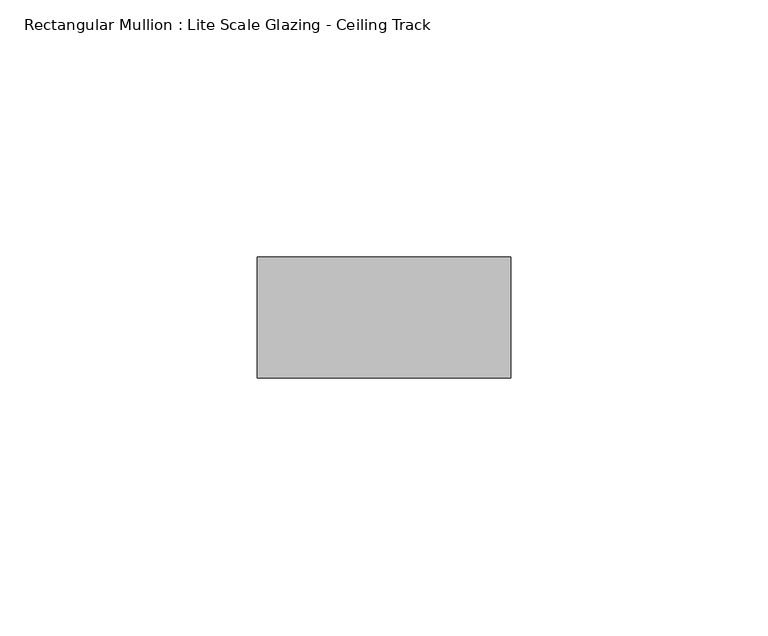
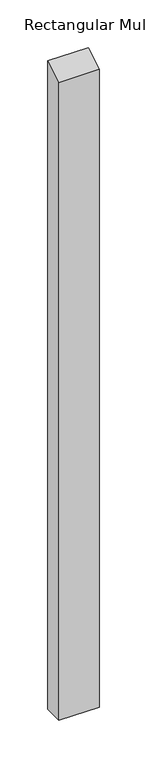
"""IFC4 building model written with IfcOpenShell, lengths in millimetres: member geometry, Rectangular Mullion : Lite Scale Glazing - Ceiling Track."""

from ifc_helpers import new_model, si_unit, frame, origin, place, context, project, spatial, polyline, outline, extrude, source, transform, mapped, element, save


def rectangular_mullion_lite_scale_glazing_ceiling_track_dbb9e149(model_context):
    return source(origin(), model_context, "Body", "SweptSolid", [
        extrude(outline(polyline([(-11.7474999, -6.7824222), (11.7474999, 6.7824222), (11.7474999, -825.5), (-11.7474999, -825.5), (-11.7474999, -6.7824222)])), frame((-49.276, 0.0, 0.0), z_axis=(1.0, 0.0, 0.0), x_axis=(0.0, 1.0, 0.0)), (0.0, 0.0, 1.0), 49.276),
    ])


if __name__ == "__main__":
    model = new_model("IFC4")
    model_context = context("Model", 3, world=origin())
    ifc_project = project(units=[si_unit("LENGTHUNIT", "METRE", prefix="MILLI")], contexts=[model_context])
    site = spatial("IfcSite", under=ifc_project)
    building = spatial("IfcBuilding", under=site)
    placement = place(None, origin())
    rectangular_mullion_lite_scale_glazing_ceiling_track_shape = rectangular_mullion_lite_scale_glazing_ceiling_track_dbb9e149(model_context)
    element("IfcMember", 1, ObjectType="Rectangular Mullion : Lite Scale Glazing - Ceiling Track", at=placement, inside=building, context=model_context, shape_type="MappedRepresentation", body=[
        mapped(rectangular_mullion_lite_scale_glazing_ceiling_track_shape, transform((0.0, 0.0, 0.0), x_axis=(1.0, 0.0, 0.0), y_axis=(0.0, 1.0, 0.0), z_axis=(0.0, 0.0, 1.0))),
    ])
    save(model, "model.ifc")
